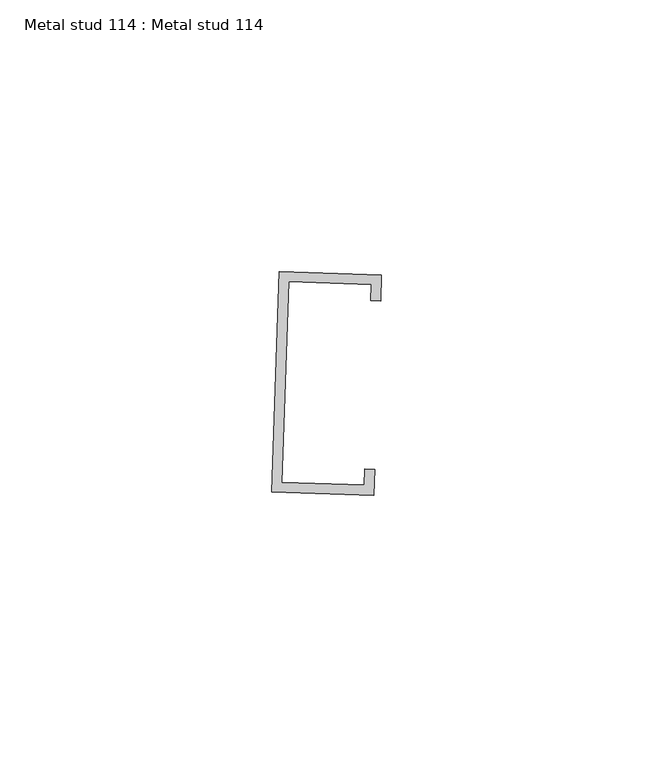
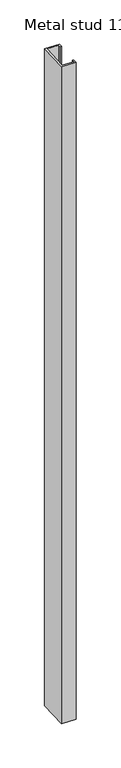
"""IFC4 building model written with IfcOpenShell, lengths in millimetres: proxy geometry, Metal stud 114 : Metal stud 114."""

from ifc_helpers import new_model, si_unit, frame, origin, place, context, project, spatial, polyline, outline, extrude, source, transform, mapped, element, save


def metal_stud_114_metal_stud_114_2b7a530c(model_context):
    return source(origin(), model_context, "Body", "SweptSolid", [
        extrude(outline(polyline([(32264.3905318, -15692.2265577), (32283.2271612, -15692.8711811), (32283.0630327, -15697.6672017), (32281.2418331, -15697.6048769), (32281.3436369, -15694.6300559), (32266.1494065, -15694.1100819), (32264.8847422, -15731.0650112), (32280.0789726, -15731.5849852), (32280.1807763, -15728.6101641), (32282.0019759, -15728.6724888), (32281.8378474, -15733.4685094), (32263.001218, -15732.8238859), (32264.3905318, -15692.2265577)])), frame((0.0, 0.0, 1597.975708), z_axis=(0.0, 0.0, 1.0), x_axis=(1.0, 0.0, 0.0)), (0.0, 0.0, 1.0), 914.4),
    ])


if __name__ == "__main__":
    model = new_model("IFC4")
    model_context = context("Model", 3, world=origin())
    ifc_project = project(units=[si_unit("LENGTHUNIT", "METRE", prefix="MILLI")], contexts=[model_context])
    site = spatial("IfcSite", under=ifc_project)
    building = spatial("IfcBuilding", under=site)
    placement = place(None, origin())
    metal_stud_114_metal_stud_114_shape = metal_stud_114_metal_stud_114_2b7a530c(model_context)
    element("IfcBuildingElementProxy", 1, Name="Metal stud 114 : Metal stud 114", ObjectType="Metal stud 114 : Metal stud 114", at=placement, inside=building, context=model_context, shape_type="MappedRepresentation", body=[
        mapped(metal_stud_114_metal_stud_114_shape, transform((0.0, 0.0, 0.0), x_axis=(1.0, 0.0, 0.0), y_axis=(0.0, 1.0, 0.0), z_axis=(0.0, 0.0, 1.0))),
    ])
    save(model, "model.ifc")
